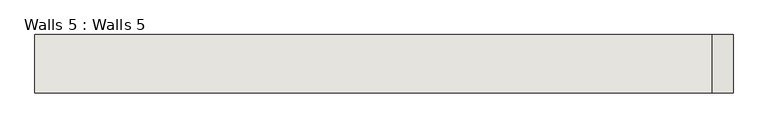
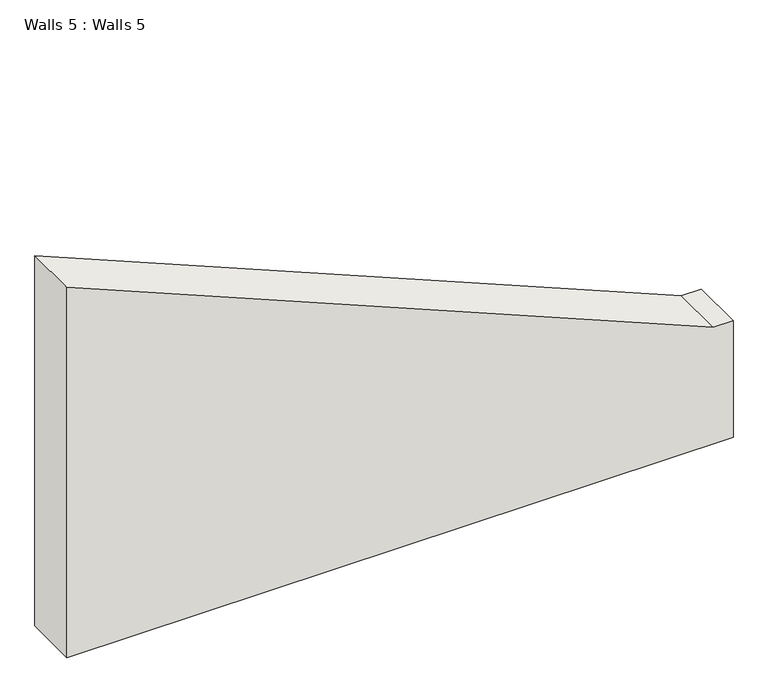
"""IFC4 building model written with IfcOpenShell, lengths in millimetres: wall geometry, Walls 5 : Walls 5."""

from ifc_helpers import new_model, si_unit, frame, origin, place, context, project, spatial, polyline, outline, extrude, source, transform, mapped, element, save


def walls_5_walls_5_07ee91fa(model_context):
    return source(origin(), model_context, "Body", "SweptSolid", [
        extrude(outline(polyline([(4374.7479808, -2034.502913), (3657.6, -2034.502913), (3657.6, -814.8415084), (3882.8485138, -814.8415084), (3882.8485138, -851.5347323), (4374.7479808, -2034.502913)])), frame((0.0, 4263.9801697, 0.0), z_axis=(0.0, 1.0, 0.0), x_axis=(0.0, 0.0, 1.0)), (0.0, 0.0, 1.0), 101.6),
    ])


if __name__ == "__main__":
    model = new_model("IFC4")
    model_context = context("Model", 3, world=origin())
    ifc_project = project(units=[si_unit("LENGTHUNIT", "METRE", prefix="MILLI")], contexts=[model_context])
    site = spatial("IfcSite", under=ifc_project)
    building = spatial("IfcBuilding", under=site)
    placement = place(None, origin())
    walls_5_walls_5_shape = walls_5_walls_5_07ee91fa(model_context)
    element("IfcWall", 1, ObjectType="Walls 5 : Walls 5", at=placement, inside=building, context=model_context, shape_type="MappedRepresentation", body=[
        mapped(walls_5_walls_5_shape, transform((0.0, 0.0, 0.0), x_axis=(1.0, 0.0, 0.0), y_axis=(0.0, 1.0, 0.0), z_axis=(0.0, 0.0, 1.0))),
    ])
    save(model, "model.ifc")
